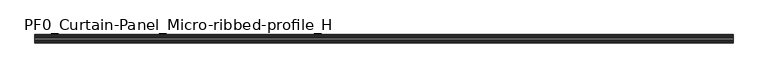
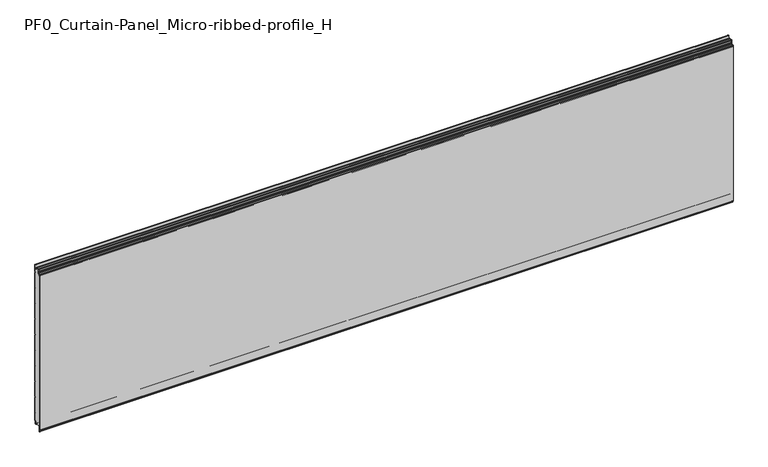
"""IFC4 building model written with IfcOpenShell, lengths in millimetres: plate geometry, PF0_Curtain-Panel_Micro-ribbed-profile_H."""

from ifc_helpers import new_model, si_unit, point, frame, frame_2d, origin, place, context, project, spatial, polyline, circle_curve, trimmed, segment, composite_curve, outline, extrude, source, transform, mapped, element, save
from ifc_brep_helpers import plane_surface, cylinder_surface, revolved_surface, advanced_brep


def pf0_curtain_panel_micro_ribbed_profile_h_2d92796e(model_context):
    return source(origin(), model_context, "Body", "SolidModel", [
        advanced_brep(
        [(-2100.0119739, -15.878557, 0.0), (-2100.0119739, -20.0, 0.0), (-2100.0119739, -20.0, 0.8), (-2100.0119739, -15.878557, 0.8), (-2100.0119739, -13.1503208, -1.370137), (-2100.0119739, -11.728236, -7.529863), (-2100.0119739, -6.2, -6.9), (-2100.0119739, -6.2, 8.6), (-2100.0119739, -3.4, 11.4), (-2100.0119739, -2.0, 11.4), (-2100.0119739, -0.8, 12.6), (-2100.0119739, -0.8, 57.6856412), (-2100.0119739, -2.482606, 60.6), (-2100.0119739, -0.8, 63.5143588), (-2100.0119739, -0.8, 157.6856412), (-2100.0119739, -2.482606, 160.6), (-2100.0119739, -0.8, 163.5143588), (-2100.0119739, -0.8, 257.6856412), (-2100.0119739, -2.482606, 260.6), (-2100.0119739, -0.8, 263.5143588), (-2100.0119739, -0.8, 357.6856412), (-2100.0119739, -2.482606, 360.6), (-2100.0119739, -0.8, 363.5143588), (-2100.0119739, -0.8, 457.6856412), (-2100.0119739, -2.482606, 460.6), (-2100.0119739, -0.8, 463.5143588), (-2100.0119739, -0.8, 557.6856412), (-2100.0119739, -2.482606, 560.6), (-2100.0119739, -0.8, 563.5143588), (-2100.0119739, -0.8, 657.6856412), (-2100.0119739, -2.482606, 660.6), (-2100.0119739, -0.8, 663.5143588), (-2100.0119739, -0.8, 757.6856412), (-2100.0119739, -2.482606, 760.6), (-2100.0119739, -0.8, 763.5143588), (-2100.0119739, -0.8, 857.6856412), (-2100.0119739, -2.482606, 860.6), (-2100.0119739, -0.8, 863.5143588), (-2100.0119739, -0.8, 957.6856412), (-2100.0119739, -2.482606, 960.6), (-2100.0119739, -0.8, 963.5143588), (-2100.0119739, -0.8, 1008.1), (-2100.0119739, -4.2, 1008.1), (-2100.0119739, -4.2, 991.1), (-2100.0119739, -13.7270771, 990.2664884), (-2100.0119739, -14.8636953, 996.7125669), (-2100.0119739, -16.6363492, 998.2), (-2100.0119739, -20.0, 998.2), (-2100.0119739, -20.0, 999.0), (-2100.0119739, -16.6363492, 999.0), (-2100.0119739, -14.0758491, 996.8514855), (-2100.0119739, -12.939231, 990.405407), (-2100.0119739, -5.0, 991.1), (-2100.0119739, -5.0, 1008.1), (-2100.0119739, -2.5, 1010.6), (-2100.0119739, 0.0, 1008.1), (-2100.0119739, 0.0, 963.2999995), (-2100.0119739, -1.5588455, 960.6), (-2100.0119739, 0.0, 957.9000005), (-2100.0119739, 0.0, 863.2999995), (-2100.0119739, -1.5588455, 860.6), (-2100.0119739, 0.0, 857.9000005), (-2100.0119739, 0.0, 763.2999995), (-2100.0119739, -1.5588455, 760.6), (-2100.0119739, 0.0, 757.9000005), (-2100.0119739, 0.0, 663.2999995), (-2100.0119739, -1.5588455, 660.6), (-2100.0119739, 0.0, 657.9000005), (-2100.0119739, 0.0, 563.2999995), (-2100.0119739, -1.5588455, 560.6), (-2100.0119739, 0.0, 557.9000005), (-2100.0119739, 0.0, 463.2999995), (-2100.0119739, -1.5588455, 460.6), (-2100.0119739, 0.0, 457.9000005), (-2100.0119739, 0.0, 363.2999995), (-2100.0119739, -1.5588455, 360.6), (-2100.0119739, 0.0, 357.9000005), (-2100.0119739, 0.0, 263.2999995), (-2100.0119739, -1.5588455, 260.6), (-2100.0119739, 0.0, 257.9000005), (-2100.0119739, 0.0, 163.2999995), (-2100.0119739, -1.5588455, 160.6), (-2100.0119739, 0.0, 157.9000005), (-2100.0119739, 0.0, 63.2999995), (-2100.0119739, -1.5588455, 60.6), (-2100.0119739, 0.0, 57.9000005), (-2100.0119739, 0.0, 12.6), (-2100.0119739, -2.0, 10.6), (-2100.0119739, -3.4, 10.6), (-2100.0119739, -5.4, 8.6), (-2100.0119739, -5.4, -6.9), (-2100.0119739, -12.5077322, -7.7098239), (-2100.0119739, -13.929817, -1.5500979), (2100.0119739, -15.878557, 0.0), (2100.0119739, -13.9298169, -1.5500978), (2100.0119739, -12.507732, -7.7098239), (2100.0119739, -5.4, -6.9), (2100.0119739, -5.4, 8.6), (2100.0119739, -3.4, 10.6), (2100.0119739, -2.0, 10.6), (2100.0119739, 0.0, 12.6), (2100.0119739, 0.0, 57.9000005), (2100.0119739, -1.5588455, 60.6), (2100.0119739, 0.0, 63.2999995), (2100.0119739, 0.0, 157.9000005), (2100.0119739, -1.5588455, 160.6), (2100.0119739, 0.0, 163.2999995), (2100.0119739, 0.0, 257.9000005), (2100.0119739, -1.5588455, 260.6), (2100.0119739, 0.0, 263.2999995), (2100.0119739, 0.0, 357.9000005), (2100.0119739, -1.5588455, 360.6), (2100.0119739, 0.0, 363.2999995), (2100.0119739, 0.0, 457.9000005), (2100.0119739, -1.5588455, 460.6), (2100.0119739, 0.0, 463.2999995), (2100.0119739, 0.0, 557.9000005), (2100.0119739, -1.5588455, 560.6), (2100.0119739, 0.0, 563.2999995), (2100.0119739, 0.0, 657.9000005), (2100.0119739, -1.5588455, 660.6), (2100.0119739, 0.0, 663.2999995), (2100.0119739, 0.0, 757.9000005), (2100.0119739, -1.5588455, 760.6), (2100.0119739, 0.0, 763.2999995), (2100.0119739, 0.0, 857.9000005), (2100.0119739, -1.5588455, 860.6), (2100.0119739, 0.0, 863.2999995), (2100.0119739, 0.0, 957.9000005), (2100.0119739, -1.5588455, 960.6), (2100.0119739, 0.0, 963.2999995), (2100.0119739, 0.0, 1008.1), (2100.0119739, -2.5, 1010.6), (2100.0119739, -5.0, 1008.1), (2100.0119739, -5.0, 991.1), (2100.0119739, -12.939231, 990.405407), (2100.0119739, -14.0758491, 996.8514855), (2100.0119739, -16.6363492, 999.0), (2100.0119739, -20.0, 999.0), (2100.0119739, -20.0, 998.2), (2100.0119739, -16.6363492, 998.2), (2100.0119739, -14.8636953, 996.7125669), (2100.0119739, -13.7270772, 990.2664884), (2100.0119739, -4.2, 991.1), (2100.0119739, -4.2, 1008.1), (2100.0119739, -0.8, 1008.1), (2100.0119739, -0.8, 963.5143588), (2100.0119739, -2.482606, 960.6), (2100.0119739, -0.8, 957.6856412), (2100.0119739, -0.8, 863.5143588), (2100.0119739, -2.482606, 860.6), (2100.0119739, -0.8, 857.6856412), (2100.0119739, -0.8, 763.5143588), (2100.0119739, -2.482606, 760.6), (2100.0119739, -0.8, 757.6856412), (2100.0119739, -0.8, 663.5143588), (2100.0119739, -2.482606, 660.6), (2100.0119739, -0.8, 657.6856412), (2100.0119739, -0.8, 563.5143588), (2100.0119739, -2.482606, 560.6), (2100.0119739, -0.8, 557.6856412), (2100.0119739, -0.8, 463.5143588), (2100.0119739, -2.482606, 460.6), (2100.0119739, -0.8, 457.6856412), (2100.0119739, -0.8, 363.5143588), (2100.0119739, -2.482606, 360.6), (2100.0119739, -0.8, 357.6856412), (2100.0119739, -0.8, 263.5143588), (2100.0119739, -2.482606, 260.6), (2100.0119739, -0.8, 257.6856412), (2100.0119739, -0.8, 163.5143588), (2100.0119739, -2.482606, 160.6), (2100.0119739, -0.8, 157.6856412), (2100.0119739, -0.8, 63.5143588), (2100.0119739, -2.482606, 60.6), (2100.0119739, -0.8, 57.6856412), (2100.0119739, -0.8, 12.6), (2100.0119739, -2.0, 11.4), (2100.0119739, -3.4, 11.4), (2100.0119739, -6.2, 8.6), (2100.0119739, -6.2, -6.9), (2100.0119739, -11.7282362, -7.529863), (2100.0119739, -13.150321, -1.370137), (2100.0119739, -15.878557, 0.8), (2100.0119739, -20.0, 0.8), (2100.0119739, -20.0, 0.0)],
        [
            (0, 1),
            (1, 2),
            (2, 3),
            (3, 4, circle_curve(frame((-2100.0119739, -15.878557, -2.0), z_axis=(-1.0, 0.0, 0.0), x_axis=(0.0, 0.0, 1.0)), 2.8)),
            (4, 5),
            (5, 6, circle_curve(frame((-2100.0119739, -9.0, -6.9), z_axis=(1.0, 0.0, 0.0), x_axis=(0.0, 0.0, 1.0)), 2.8)),
            (6, 7),
            (7, 8, circle_curve(frame((-2100.0119739, -3.4, 8.6), z_axis=(-1.0, 0.0, 0.0), x_axis=(0.0, 0.0, 1.0)), 2.8)),
            (8, 9),
            (9, 10, circle_curve(frame((-2100.0119739, -2.0, 12.6), z_axis=(1.0, 0.0, 0.0), x_axis=(0.0, 0.0, 1.0)), 1.2)),
            (10, 11),
            (11, 12),
            (12, 13),
            (13, 14),
            (14, 15),
            (15, 16),
            (16, 17),
            (17, 18),
            (18, 19),
            (19, 20),
            (20, 21),
            (21, 22),
            (22, 23),
            (23, 24),
            (24, 25),
            (25, 26),
            (26, 27),
            (27, 28),
            (28, 29),
            (29, 30),
            (30, 31),
            (31, 32),
            (32, 33),
            (33, 34),
            (34, 35),
            (35, 36),
            (36, 37),
            (37, 38),
            (38, 39),
            (39, 40),
            (40, 41),
            (41, 42, circle_curve(frame((-2100.0119739, -2.5, 1008.1), z_axis=(1.0, 0.0, 0.0), x_axis=(0.0, 0.0, 1.0)), 1.7)),
            (42, 43),
            (43, 44, circle_curve(frame((-2100.0119739, -9.0, 991.1), z_axis=(-1.0, 0.0, 0.0), x_axis=(0.0, 0.0, 1.0)), 4.8)),
            (44, 45),
            (45, 46, circle_curve(frame((-2100.0119739, -16.6363492, 996.4), z_axis=(1.0, 0.0, 0.0), x_axis=(0.0, 0.0, 1.0)), 1.8)),
            (46, 47),
            (47, 48),
            (48, 49),
            (49, 50, circle_curve(frame((-2100.0119739, -16.6363492, 996.4), z_axis=(-1.0, 0.0, 0.0), x_axis=(0.0, 0.0, 1.0)), 2.6)),
            (50, 51),
            (51, 52, circle_curve(frame((-2100.0119739, -9.0, 991.1), z_axis=(1.0, 0.0, 0.0), x_axis=(0.0, 0.0, 1.0)), 4.0)),
            (52, 53),
            (53, 54, circle_curve(frame((-2100.0119739, -2.5, 1008.1), z_axis=(-1.0, 0.0, 0.0), x_axis=(0.0, 0.0, 1.0)), 2.5)),
            (54, 55, circle_curve(frame((-2100.0119739, -2.5, 1008.1), z_axis=(-1.0, 0.0, 0.0), x_axis=(0.0, 0.0, 1.0)), 2.5)),
            (55, 56),
            (56, 57),
            (57, 58),
            (58, 59),
            (59, 60),
            (60, 61),
            (61, 62),
            (62, 63),
            (63, 64),
            (64, 65),
            (65, 66),
            (66, 67),
            (67, 68),
            (68, 69),
            (69, 70),
            (70, 71),
            (71, 72),
            (72, 73),
            (73, 74),
            (74, 75),
            (75, 76),
            (76, 77),
            (77, 78),
            (78, 79),
            (79, 80),
            (80, 81),
            (81, 82),
            (82, 83),
            (83, 84),
            (84, 85),
            (85, 86),
            (86, 87, circle_curve(frame((-2100.0119739, -2.0, 12.6), z_axis=(-1.0, 0.0, 0.0), x_axis=(0.0, 0.0, 1.0)), 2.0)),
            (87, 88),
            (88, 89, circle_curve(frame((-2100.0119739, -3.4, 8.6), z_axis=(1.0, 0.0, 0.0), x_axis=(0.0, 0.0, 1.0)), 2.0)),
            (89, 90),
            (90, 91, circle_curve(frame((-2100.0119739, -9.0, -6.9), z_axis=(-1.0, 0.0, 0.0), x_axis=(0.0, 0.0, 1.0)), 3.6)),
            (91, 92),
            (92, 0, circle_curve(frame((-2100.0119739, -15.878557, -2.0), z_axis=(1.0, 0.0, 0.0), x_axis=(0.0, 0.0, 1.0)), 2.0)),
            (93, 94, circle_curve(frame((2100.0119739, -15.878557, -2.0), z_axis=(-1.0, 0.0, 0.0), x_axis=(0.0, 0.0, 1.0)), 2.0)),
            (94, 95),
            (95, 96, circle_curve(frame((2100.0119739, -9.0, -6.9), z_axis=(1.0, 0.0, 0.0), x_axis=(0.0, 0.0, 1.0)), 3.6)),
            (96, 97),
            (97, 98, circle_curve(frame((2100.0119739, -3.4, 8.6), z_axis=(-1.0, 0.0, 0.0), x_axis=(0.0, 0.0, 1.0)), 2.0)),
            (98, 99),
            (99, 100, circle_curve(frame((2100.0119739, -2.0, 12.6), z_axis=(1.0, 0.0, 0.0), x_axis=(0.0, 0.0, 1.0)), 2.0)),
            (100, 101),
            (101, 102),
            (102, 103),
            (103, 104),
            (104, 105),
            (105, 106),
            (106, 107),
            (107, 108),
            (108, 109),
            (109, 110),
            (110, 111),
            (111, 112),
            (112, 113),
            (113, 114),
            (114, 115),
            (115, 116),
            (116, 117),
            (117, 118),
            (118, 119),
            (119, 120),
            (120, 121),
            (121, 122),
            (122, 123),
            (123, 124),
            (124, 125),
            (125, 126),
            (126, 127),
            (127, 128),
            (128, 129),
            (129, 130),
            (130, 131),
            (131, 132, circle_curve(frame((2100.0119739, -2.5, 1008.1), z_axis=(1.0, 0.0, 0.0), x_axis=(0.0, 0.0, 1.0)), 2.5)),
            (132, 133, circle_curve(frame((2100.0119739, -2.5, 1008.1), z_axis=(1.0, 0.0, 0.0), x_axis=(0.0, 0.0, 1.0)), 2.5)),
            (133, 134),
            (134, 135, circle_curve(frame((2100.0119739, -9.0, 991.1), z_axis=(-1.0, 0.0, 0.0), x_axis=(0.0, 0.0, 1.0)), 4.0)),
            (135, 136),
            (136, 137, circle_curve(frame((2100.0119739, -16.6363492, 996.4), z_axis=(1.0, 0.0, 0.0), x_axis=(0.0, 0.0, 1.0)), 2.6)),
            (137, 138),
            (138, 139),
            (139, 140),
            (140, 141, circle_curve(frame((2100.0119739, -16.6363492, 996.4), z_axis=(-1.0, 0.0, 0.0), x_axis=(0.0, 0.0, 1.0)), 1.8)),
            (141, 142),
            (142, 143, circle_curve(frame((2100.0119739, -9.0, 991.1), z_axis=(1.0, 0.0, 0.0), x_axis=(0.0, 0.0, 1.0)), 4.8)),
            (143, 144),
            (144, 145, circle_curve(frame((2100.0119739, -2.5, 1008.1), z_axis=(-1.0, 0.0, 0.0), x_axis=(0.0, 0.0, 1.0)), 1.7)),
            (145, 146),
            (146, 147),
            (147, 148),
            (148, 149),
            (149, 150),
            (150, 151),
            (151, 152),
            (152, 153),
            (153, 154),
            (154, 155),
            (155, 156),
            (156, 157),
            (157, 158),
            (158, 159),
            (159, 160),
            (160, 161),
            (161, 162),
            (162, 163),
            (163, 164),
            (164, 165),
            (165, 166),
            (166, 167),
            (167, 168),
            (168, 169),
            (169, 170),
            (170, 171),
            (171, 172),
            (172, 173),
            (173, 174),
            (174, 175),
            (175, 176),
            (176, 177, circle_curve(frame((2100.0119739, -2.0, 12.6), z_axis=(-1.0, 0.0, 0.0), x_axis=(0.0, 0.0, 1.0)), 1.2)),
            (177, 178),
            (178, 179, circle_curve(frame((2100.0119739, -3.4, 8.6), z_axis=(1.0, 0.0, 0.0), x_axis=(0.0, 0.0, 1.0)), 2.8)),
            (179, 180),
            (180, 181, circle_curve(frame((2100.0119739, -9.0, -6.9), z_axis=(-1.0, 0.0, 0.0), x_axis=(0.0, 0.0, 1.0)), 2.8)),
            (181, 182),
            (182, 183, circle_curve(frame((2100.0119739, -15.878557, -2.0), z_axis=(1.0, 0.0, 0.0), x_axis=(0.0, 0.0, 1.0)), 2.8)),
            (183, 184),
            (184, 185),
            (185, 93),
            (0, 93),
            (185, 1),
            (184, 2),
            (183, 3),
            (182, 4),
            (181, 5),
            (180, 6),
            (179, 7),
            (178, 8),
            (177, 9),
            (176, 10),
            (175, 11),
            (174, 12),
            (173, 13),
            (172, 14),
            (171, 15),
            (170, 16),
            (169, 17),
            (168, 18),
            (167, 19),
            (166, 20),
            (165, 21),
            (164, 22),
            (163, 23),
            (162, 24),
            (161, 25),
            (160, 26),
            (159, 27),
            (158, 28),
            (157, 29),
            (156, 30),
            (155, 31),
            (154, 32),
            (153, 33),
            (152, 34),
            (151, 35),
            (150, 36),
            (149, 37),
            (148, 38),
            (147, 39),
            (146, 40),
            (145, 41),
            (144, 42),
            (143, 43),
            (142, 44),
            (141, 45),
            (140, 46),
            (139, 47),
            (138, 48),
            (137, 49),
            (136, 50),
            (135, 51),
            (134, 52),
            (133, 53),
            (131, 55),
            (130, 56),
            (129, 57),
            (128, 58),
            (127, 59),
            (126, 60),
            (125, 61),
            (124, 62),
            (123, 63),
            (122, 64),
            (121, 65),
            (120, 66),
            (119, 67),
            (118, 68),
            (117, 69),
            (116, 70),
            (115, 71),
            (114, 72),
            (113, 73),
            (112, 74),
            (111, 75),
            (110, 76),
            (109, 77),
            (108, 78),
            (107, 79),
            (106, 80),
            (105, 81),
            (104, 82),
            (103, 83),
            (102, 84),
            (101, 85),
            (100, 86),
            (99, 87),
            (98, 88),
            (97, 89),
            (96, 90),
            (95, 91),
            (94, 92),
        ],
        [
            plane_surface(frame((-2100.0119739, 0.0, 0.0), z_axis=(-1.0, 0.0, 0.0), x_axis=(0.0, 1.0, 0.0))),
            plane_surface(frame((2100.0119739, 0.0, 0.0), z_axis=(1.0, 0.0, 0.0), x_axis=(0.0, 1.0, 0.0))),
            plane_surface(frame((-2100.0119739, -15.878557, 0.0), z_axis=(0.0, 0.0, -1.0), x_axis=(1.0, 0.0, 0.0))),
            plane_surface(frame((-2100.0119739, -20.0, 0.0), z_axis=(0.0, -1.0, 0.0), x_axis=(1.0, 0.0, 0.0))),
            plane_surface(frame((-2100.0119739, -20.0, 0.8), z_axis=(0.0, 0.0, 1.0), x_axis=(1.0, 0.0, 0.0))),
            cylinder_surface(frame((-2100.0119739, -15.878557, -2.0), z_axis=(-1.0, 0.0, 0.0), x_axis=(0.0, 0.0, 1.0)), 2.8),
            plane_surface(frame((-2100.0119739, -13.150321, -1.370137), z_axis=(0.0, 0.9743700578318181, 0.22495108446242168), x_axis=(1.0, 0.0, 0.0))),
            revolved_surface(polyline([(2100.0119739, -9.0, -4.1000000000000005), (-2100.0119739, -9.0, -4.1000000000000005)]), (-2100.0119739, -9.0, -6.9), (1.0, 0.0, 0.0)),
            plane_surface(frame((-2100.0119739, -6.2, -6.9), z_axis=(0.0, -1.0, 0.0), x_axis=(1.0, 0.0, 0.0))),
            cylinder_surface(frame((-2100.0119739, -3.4, 8.6), z_axis=(-1.0, 0.0, 0.0), x_axis=(0.0, 0.0, 1.0)), 2.8),
            plane_surface(frame((-2100.0119739, -3.4, 11.4), z_axis=(0.0, 0.0, 1.0), x_axis=(1.0, 0.0, 0.0))),
            revolved_surface(polyline([(2100.0119739, -2.0, 13.799999999999999), (-2100.0119739, -2.0, 13.799999999999999)]), (-2100.0119739, -2.0, 12.6), (1.0, 0.0, 0.0)),
            plane_surface(frame((-2100.0119739, -0.8, 12.6), z_axis=(0.0, -1.0, 0.0), x_axis=(1.0, 0.0, 0.0))),
            plane_surface(frame((-2100.0119739, -0.8, 57.6856412), z_axis=(0.0, -0.8660253865035757, -0.5000000299313314), x_axis=(1.0, 0.0, 0.0))),
            plane_surface(frame((-2100.0119739, -2.482606, 60.6), z_axis=(0.0, -0.8660253865035789, 0.5000000299313261), x_axis=(1.0, 0.0, 0.0))),
            plane_surface(frame((-2100.0119739, -0.8, 63.5143588), z_axis=(0.0, -1.0, 0.0), x_axis=(1.0, 0.0, 0.0))),
            plane_surface(frame((-2100.0119739, -0.8, 157.6856412), z_axis=(0.0, -0.8660253865035755, -0.5000000299313319), x_axis=(1.0, 0.0, 0.0))),
            plane_surface(frame((-2100.0119739, -2.482606, 160.6), z_axis=(0.0, -0.8660253865035777, 0.5000000299313279), x_axis=(1.0, 0.0, 0.0))),
            plane_surface(frame((-2100.0119739, -0.8, 163.5143588), z_axis=(0.0, -1.0, 0.0), x_axis=(1.0, 0.0, 0.0))),
            plane_surface(frame((-2100.0119739, -0.8, 257.6856412), z_axis=(0.0, -0.8660253865035755, -0.5000000299313319), x_axis=(1.0, 0.0, 0.0))),
            plane_surface(frame((-2100.0119739, -2.482606, 260.6), z_axis=(0.0, -0.8660253865035777, 0.5000000299313279), x_axis=(1.0, 0.0, 0.0))),
            plane_surface(frame((-2100.0119739, -0.8, 263.5143588), z_axis=(0.0, -1.0, 0.0), x_axis=(1.0, 0.0, 0.0))),
            plane_surface(frame((-2100.0119739, -0.8, 357.6856412), z_axis=(0.0, -0.8660253865035754, -0.500000029931332), x_axis=(1.0, 0.0, 0.0))),
            plane_surface(frame((-2100.0119739, -2.482606, 360.6), z_axis=(0.0, -0.8660253865035789, 0.5000000299313261), x_axis=(1.0, 0.0, 0.0))),
            plane_surface(frame((-2100.0119739, -0.8, 363.5143588), z_axis=(0.0, -1.0, 0.0), x_axis=(1.0, 0.0, 0.0))),
            plane_surface(frame((-2100.0119739, -0.8, 457.6856412), z_axis=(0.0, -0.8660253865035755, -0.5000000299313319), x_axis=(1.0, 0.0, 0.0))),
            plane_surface(frame((-2100.0119739, -2.482606, 460.6), z_axis=(0.0, -0.8660253865035785, 0.5000000299313266), x_axis=(1.0, 0.0, 0.0))),
            plane_surface(frame((-2100.0119739, -0.8, 463.5143588), z_axis=(0.0, -1.0, 0.0), x_axis=(1.0, 0.0, 0.0))),
            plane_surface(frame((-2100.0119739, -0.8, 557.6856412), z_axis=(0.0, -0.8660253865035755, -0.500000029931332), x_axis=(1.0, 0.0, 0.0))),
            plane_surface(frame((-2100.0119739, -2.482606, 560.6), z_axis=(0.0, -0.8660253865035789, 0.500000029931326), x_axis=(1.0, 0.0, 0.0))),
            plane_surface(frame((-2100.0119739, -0.8, 563.5143588), z_axis=(0.0, -1.0, 0.0), x_axis=(1.0, 0.0, 0.0))),
            plane_surface(frame((-2100.0119739, -0.8, 657.6856412), z_axis=(0.0, -0.8660253865035755, -0.5000000299313317), x_axis=(1.0, 0.0, 0.0))),
            plane_surface(frame((-2100.0119739, -2.482606, 660.6), z_axis=(0.0, -0.8660253865035772, 0.5000000299313291), x_axis=(1.0, 0.0, 0.0))),
            plane_surface(frame((-2100.0119739, -0.8, 663.5143588), z_axis=(0.0, -1.0, 0.0), x_axis=(1.0, 0.0, 0.0))),
            plane_surface(frame((-2100.0119739, -0.8, 757.6856412), z_axis=(0.0, -0.8660253865035755, -0.5000000299313319), x_axis=(1.0, 0.0, 0.0))),
            plane_surface(frame((-2100.0119739, -2.482606, 760.6), z_axis=(0.0, -0.8660253865035771, 0.5000000299313291), x_axis=(1.0, 0.0, 0.0))),
            plane_surface(frame((-2100.0119739, -0.8, 763.5143588), z_axis=(0.0, -1.0, 0.0), x_axis=(1.0, 0.0, 0.0))),
            plane_surface(frame((-2100.0119739, -0.8, 857.6856412), z_axis=(0.0, -0.8660253865035755, -0.5000000299313319), x_axis=(1.0, 0.0, 0.0))),
            plane_surface(frame((-2100.0119739, -2.482606, 860.6), z_axis=(0.0, -0.8660253865035775, 0.5000000299313283), x_axis=(1.0, 0.0, 0.0))),
            plane_surface(frame((-2100.0119739, -0.8, 863.5143588), z_axis=(0.0, -1.0, 0.0), x_axis=(1.0, 0.0, 0.0))),
            plane_surface(frame((-2100.0119739, -0.8, 957.6856412), z_axis=(0.0, -0.8660253865035755, -0.500000029931332), x_axis=(1.0, 0.0, 0.0))),
            plane_surface(frame((-2100.0119739, -2.482606, 960.6), z_axis=(0.0, -0.8660253865035771, 0.5000000299313291), x_axis=(1.0, 0.0, 0.0))),
            plane_surface(frame((-2100.0119739, -0.8, 963.5143588), z_axis=(0.0, -1.0, 0.0), x_axis=(1.0, 0.0, 0.0))),
            revolved_surface(polyline([(2100.0119739, -2.5, 1009.8000000000001), (-2100.0119739, -2.5, 1009.8000000000001)]), (-2100.0119739, -2.5, 1008.1), (1.0, 0.0, 0.0)),
            plane_surface(frame((-2100.0119739, -4.2, 1008.1), z_axis=(0.0, 1.0, 0.0), x_axis=(1.0, 0.0, 0.0))),
            cylinder_surface(frame((-2100.0119739, -9.0, 991.1), z_axis=(-1.0, 0.0, 0.0), x_axis=(0.0, 0.0, 1.0)), 4.8),
            plane_surface(frame((-2100.0119739, -13.7270772, 990.2664884), z_axis=(0.0, -0.9848077391954005, -0.17364825602592165), x_axis=(1.0, 0.0, 0.0))),
            revolved_surface(polyline([(2100.0119739, -16.6363492, 998.1999999999999), (-2100.0119739, -16.6363492, 998.1999999999999)]), (-2100.0119739, -16.6363492, 996.4), (1.0, 0.0, 0.0)),
            plane_surface(frame((-2100.0119739, -16.6363492, 998.2), z_axis=(0.0, 0.0, -1.0), x_axis=(1.0, 0.0, 0.0))),
            plane_surface(frame((-2100.0119739, -20.0, 998.2), z_axis=(0.0, -1.0, 0.0), x_axis=(1.0, 0.0, 0.0))),
            plane_surface(frame((-2100.0119739, -20.0, 999.0), z_axis=(0.0, 0.0, 1.0), x_axis=(1.0, 0.0, 0.0))),
            cylinder_surface(frame((-2100.0119739, -16.6363492, 996.4), z_axis=(-1.0, 0.0, 0.0), x_axis=(0.0, 0.0, 1.0)), 2.6),
            plane_surface(frame((-2100.0119739, -14.0758491, 996.8514855), z_axis=(0.0, 0.9848077391954003, 0.1736482560259224), x_axis=(1.0, 0.0, 0.0))),
            revolved_surface(polyline([(2100.0119739, -9.0, 995.1), (-2100.0119739, -9.0, 995.1)]), (-2100.0119739, -9.0, 991.1), (1.0, 0.0, 0.0)),
            plane_surface(frame((-2100.0119739, -5.0, 991.1), z_axis=(0.0, -1.0, 0.0), x_axis=(1.0, 0.0, 0.0))),
            cylinder_surface(frame((-2100.0119739, -2.5, 1008.1), z_axis=(-1.0, 0.0, 0.0), x_axis=(0.0, 0.0, 1.0)), 2.5),
            plane_surface(frame((-2100.0119739, 0.0, 1008.1), z_axis=(0.0, 1.0, 0.0), x_axis=(1.0, 0.0, 0.0))),
            plane_surface(frame((-2100.0119739, 0.0, 963.2999995), z_axis=(0.0, 0.8660253865035786, -0.5000000299313263), x_axis=(1.0, 0.0, 0.0))),
            plane_surface(frame((-2100.0119739, -1.5588455, 960.6), z_axis=(0.0, 0.8660253865035755, 0.5000000299313319), x_axis=(1.0, 0.0, 0.0))),
            plane_surface(frame((-2100.0119739, 0.0, 957.9000005), z_axis=(0.0, 1.0, 0.0), x_axis=(1.0, 0.0, 0.0))),
            plane_surface(frame((-2100.0119739, 0.0, 863.2999995), z_axis=(0.0, 0.8660253865035786, -0.5000000299313263), x_axis=(1.0, 0.0, 0.0))),
            plane_surface(frame((-2100.0119739, -1.5588455, 860.6), z_axis=(0.0, 0.8660253865035755, 0.5000000299313319), x_axis=(1.0, 0.0, 0.0))),
            plane_surface(frame((-2100.0119739, 0.0, 857.9000005), z_axis=(0.0, 1.0, 0.0), x_axis=(1.0, 0.0, 0.0))),
            plane_surface(frame((-2100.0119739, 0.0, 763.2999995), z_axis=(0.0, 0.8660253865035786, -0.5000000299313263), x_axis=(1.0, 0.0, 0.0))),
            plane_surface(frame((-2100.0119739, -1.5588455, 760.6), z_axis=(0.0, 0.8660253865035755, 0.5000000299313319), x_axis=(1.0, 0.0, 0.0))),
            plane_surface(frame((-2100.0119739, 0.0, 757.9000005), z_axis=(0.0, 1.0, 0.0), x_axis=(1.0, 0.0, 0.0))),
            plane_surface(frame((-2100.0119739, 0.0, 663.2999995), z_axis=(0.0, 0.8660253865035786, -0.5000000299313263), x_axis=(1.0, 0.0, 0.0))),
            plane_surface(frame((-2100.0119739, -1.5588455, 660.6), z_axis=(0.0, 0.8660253865035755, 0.5000000299313319), x_axis=(1.0, 0.0, 0.0))),
            plane_surface(frame((-2100.0119739, 0.0, 657.9000005), z_axis=(0.0, 1.0, 0.0), x_axis=(1.0, 0.0, 0.0))),
            plane_surface(frame((-2100.0119739, 0.0, 563.2999995), z_axis=(0.0, 0.8660253865035786, -0.5000000299313263), x_axis=(1.0, 0.0, 0.0))),
            plane_surface(frame((-2100.0119739, -1.5588455, 560.6), z_axis=(0.0, 0.8660253865035755, 0.5000000299313319), x_axis=(1.0, 0.0, 0.0))),
            plane_surface(frame((-2100.0119739, 0.0, 557.9000005), z_axis=(0.0, 1.0, 0.0), x_axis=(1.0, 0.0, 0.0))),
            plane_surface(frame((-2100.0119739, 0.0, 463.2999995), z_axis=(0.0, 0.8660253865035786, -0.5000000299313263), x_axis=(1.0, 0.0, 0.0))),
            plane_surface(frame((-2100.0119739, -1.5588455, 460.6), z_axis=(0.0, 0.8660253865035755, 0.5000000299313319), x_axis=(1.0, 0.0, 0.0))),
            plane_surface(frame((-2100.0119739, 0.0, 457.9000005), z_axis=(0.0, 1.0, 0.0), x_axis=(1.0, 0.0, 0.0))),
            plane_surface(frame((-2100.0119739, 0.0, 363.2999995), z_axis=(0.0, 0.8660253865035786, -0.5000000299313263), x_axis=(1.0, 0.0, 0.0))),
            plane_surface(frame((-2100.0119739, -1.5588455, 360.6), z_axis=(0.0, 0.8660253865035755, 0.5000000299313319), x_axis=(1.0, 0.0, 0.0))),
            plane_surface(frame((-2100.0119739, 0.0, 357.9000005), z_axis=(0.0, 1.0, 0.0), x_axis=(1.0, 0.0, 0.0))),
            plane_surface(frame((-2100.0119739, 0.0, 263.2999995), z_axis=(0.0, 0.8660253865035786, -0.5000000299313263), x_axis=(1.0, 0.0, 0.0))),
            plane_surface(frame((-2100.0119739, -1.5588455, 260.6), z_axis=(0.0, 0.8660253865035755, 0.5000000299313319), x_axis=(1.0, 0.0, 0.0))),
            plane_surface(frame((-2100.0119739, 0.0, 257.9000005), z_axis=(0.0, 1.0, 0.0), x_axis=(1.0, 0.0, 0.0))),
            plane_surface(frame((-2100.0119739, 0.0, 163.2999995), z_axis=(0.0, 0.8660253865035786, -0.5000000299313263), x_axis=(1.0, 0.0, 0.0))),
            plane_surface(frame((-2100.0119739, -1.5588455, 160.6), z_axis=(0.0, 0.8660253865035755, 0.5000000299313319), x_axis=(1.0, 0.0, 0.0))),
            plane_surface(frame((-2100.0119739, 0.0, 157.9000005), z_axis=(0.0, 1.0, 0.0), x_axis=(1.0, 0.0, 0.0))),
            plane_surface(frame((-2100.0119739, 0.0, 63.2999995), z_axis=(0.0, 0.8660253865035786, -0.5000000299313263), x_axis=(1.0, 0.0, 0.0))),
            plane_surface(frame((-2100.0119739, -1.5588455, 60.6), z_axis=(0.0, 0.8660253865035755, 0.5000000299313319), x_axis=(1.0, 0.0, 0.0))),
            plane_surface(frame((-2100.0119739, 0.0, 57.9000005), z_axis=(0.0, 1.0, 0.0), x_axis=(1.0, 0.0, 0.0))),
            cylinder_surface(frame((-2100.0119739, -2.0, 12.6), z_axis=(-1.0, 0.0, 0.0), x_axis=(0.0, 0.0, 1.0)), 2.0),
            plane_surface(frame((-2100.0119739, -2.0, 10.6), z_axis=(0.0, 0.0, -1.0), x_axis=(1.0, 0.0, 0.0))),
            revolved_surface(polyline([(2100.0119739, -3.4, 10.6), (-2100.0119739, -3.4, 10.6)]), (-2100.0119739, -3.4, 8.6), (1.0, 0.0, 0.0)),
            plane_surface(frame((-2100.0119739, -5.4, 8.6), z_axis=(0.0, 1.0, 0.0), x_axis=(1.0, 0.0, 0.0))),
            cylinder_surface(frame((-2100.0119739, -9.0, -6.9), z_axis=(-1.0, 0.0, 0.0), x_axis=(0.0, 0.0, 1.0)), 3.6),
            plane_surface(frame((-2100.0119739, -12.507732, -7.7098239), z_axis=(0.0, -0.9743700578318182, -0.22495108446242174), x_axis=(1.0, 0.0, 0.0))),
            revolved_surface(polyline([(2100.0119739, -15.878557, 0.0), (-2100.0119739, -15.878557, 0.0)]), (-2100.0119739, -15.878557, -2.0), (1.0, 0.0, 0.0)),
        ],
        [
            (0, [[1, 2, 3, 4, 5, 6, 7, 8, 9, 10, 11, 12, 13, 14, 15, 16, 17, 18, 19, 20, 21, 22, 23, 24, 25, 26, 27, 28, 29, 30, 31, 32, 33, 34, 35, 36, 37, 38, 39, 40, 41, 42, 43, 44, 45, 46, 47, 48, 49, 50, 51, 52, 53, 54, 55, 56, 57, 58, 59, 60, 61, 62, 63, 64, 65, 66, 67, 68, 69, 70, 71, 72, 73, 74, 75, 76, 77, 78, 79, 80, 81, 82, 83, 84, 85, 86, 87, 88, 89, 90, 91, 92, 93]]),
            (1, [[94, 95, 96, 97, 98, 99, 100, 101, 102, 103, 104, 105, 106, 107, 108, 109, 110, 111, 112, 113, 114, 115, 116, 117, 118, 119, 120, 121, 122, 123, 124, 125, 126, 127, 128, 129, 130, 131, 132, 133, 134, 135, 136, 137, 138, 139, 140, 141, 142, 143, 144, 145, 146, 147, 148, 149, 150, 151, 152, 153, 154, 155, 156, 157, 158, 159, 160, 161, 162, 163, 164, 165, 166, 167, 168, 169, 170, 171, 172, 173, 174, 175, 176, 177, 178, 179, 180, 181, 182, 183, 184, 185, 186]]),
            (2, [[-1, 187, -186, 188]]),
            (3, [[-2, -188, -185, 189]]),
            (4, [[-3, -189, -184, 190]]),
            (5, [[-4, -190, -183, 191]]),
            (6, [[-5, -191, -182, 192]]),
            (7, [[-6, -192, -181, 193]]),
            (8, [[-7, -193, -180, 194]]),
            (9, [[-8, -194, -179, 195]]),
            (10, [[-9, -195, -178, 196]]),
            (11, [[-10, -196, -177, 197]]),
            (12, [[-11, -197, -176, 198]]),
            (13, [[-12, -198, -175, 199]]),
            (14, [[-13, -199, -174, 200]]),
            (15, [[-14, -200, -173, 201]]),
            (16, [[-15, -201, -172, 202]]),
            (17, [[-16, -202, -171, 203]]),
            (18, [[-17, -203, -170, 204]]),
            (19, [[-18, -204, -169, 205]]),
            (20, [[-19, -205, -168, 206]]),
            (21, [[-20, -206, -167, 207]]),
            (22, [[-21, -207, -166, 208]]),
            (23, [[-22, -208, -165, 209]]),
            (24, [[-23, -209, -164, 210]]),
            (25, [[-24, -210, -163, 211]]),
            (26, [[-25, -211, -162, 212]]),
            (27, [[-26, -212, -161, 213]]),
            (28, [[-27, -213, -160, 214]]),
            (29, [[-28, -214, -159, 215]]),
            (30, [[-29, -215, -158, 216]]),
            (31, [[-30, -216, -157, 217]]),
            (32, [[-31, -217, -156, 218]]),
            (33, [[-32, -218, -155, 219]]),
            (34, [[-33, -219, -154, 220]]),
            (35, [[-34, -220, -153, 221]]),
            (36, [[-35, -221, -152, 222]]),
            (37, [[-36, -222, -151, 223]]),
            (38, [[-37, -223, -150, 224]]),
            (39, [[-38, -224, -149, 225]]),
            (40, [[-39, -225, -148, 226]]),
            (41, [[-40, -226, -147, 227]]),
            (42, [[-41, -227, -146, 228]]),
            (43, [[-42, -228, -145, 229]]),
            (44, [[-43, -229, -144, 230]]),
            (45, [[-44, -230, -143, 231]]),
            (46, [[-45, -231, -142, 232]]),
            (47, [[-46, -232, -141, 233]]),
            (48, [[-47, -233, -140, 234]]),
            (49, [[-48, -234, -139, 235]]),
            (50, [[-49, -235, -138, 236]]),
            (51, [[-50, -236, -137, 237]]),
            (52, [[-51, -237, -136, 238]]),
            (53, [[-52, -238, -135, 239]]),
            (54, [[-53, -239, -134, 240]]),
            (55, [[-240, -133, -132, 241, -55, -54]]),
            (56, [[-56, -241, -131, 242]]),
            (57, [[-57, -242, -130, 243]]),
            (58, [[-58, -243, -129, 244]]),
            (59, [[-59, -244, -128, 245]]),
            (60, [[-60, -245, -127, 246]]),
            (61, [[-61, -246, -126, 247]]),
            (62, [[-62, -247, -125, 248]]),
            (63, [[-63, -248, -124, 249]]),
            (64, [[-64, -249, -123, 250]]),
            (65, [[-65, -250, -122, 251]]),
            (66, [[-66, -251, -121, 252]]),
            (67, [[-67, -252, -120, 253]]),
            (68, [[-68, -253, -119, 254]]),
            (69, [[-69, -254, -118, 255]]),
            (70, [[-70, -255, -117, 256]]),
            (71, [[-71, -256, -116, 257]]),
            (72, [[-72, -257, -115, 258]]),
            (73, [[-73, -258, -114, 259]]),
            (74, [[-74, -259, -113, 260]]),
            (75, [[-75, -260, -112, 261]]),
            (76, [[-76, -261, -111, 262]]),
            (77, [[-77, -262, -110, 263]]),
            (78, [[-78, -263, -109, 264]]),
            (79, [[-79, -264, -108, 265]]),
            (80, [[-80, -265, -107, 266]]),
            (81, [[-81, -266, -106, 267]]),
            (82, [[-82, -267, -105, 268]]),
            (83, [[-83, -268, -104, 269]]),
            (84, [[-84, -269, -103, 270]]),
            (85, [[-85, -270, -102, 271]]),
            (86, [[-86, -271, -101, 272]]),
            (87, [[-87, -272, -100, 273]]),
            (88, [[-88, -273, -99, 274]]),
            (89, [[-89, -274, -98, 275]]),
            (90, [[-90, -275, -97, 276]]),
            (91, [[-91, -276, -96, 277]]),
            (92, [[-92, -277, -95, 278]]),
            (93, [[-93, -278, -94, -187]]),
        ],
    ),
        extrude(outline(composite_curve([segment(polyline([(-40.0, 0.0), (-43.5, 0.0)]), True, "CONTINUOUS"), segment(trimmed(circle_curve(frame_2d((-43.5, -2.0)), 2.0), [point((-43.5, 0.0))], [point((-45.5, -2.0))], True, "CARTESIAN"), True, "CONTINUOUS"), segment(polyline([(-45.5, -2.0), (-45.5, -33.0)]), True, "CONTINUOUS"), segment(trimmed(circle_curve(frame_2d((-46.5, -33.0)), 1.0), [point((-45.5, -33.0))], [point((-47.5, -33.0))], False, "CARTESIAN"), True, "CONTINUOUS"), segment(polyline([(-47.5, -33.0), (-47.5, -26.9)]), True, "CONTINUOUS"), segment(trimmed(circle_curve(frame_2d((-48.4, -26.9)), 0.9), [point((-47.5, -26.9))], [point((-48.4, -26.0))], True, "CARTESIAN"), True, "CONTINUOUS"), segment(trimmed(circle_curve(frame_2d((-48.4, -24.4)), 1.6), [point((-48.4, -26.0))], [point((-50.0, -24.4))], False, "CARTESIAN"), True, "CONTINUOUS"), segment(polyline([(-50.0, -24.4), (-50.0, 973.0)]), True, "CONTINUOUS"), segment(trimmed(circle_curve(frame_2d((-49.0, 973.0)), 1.0), [point((-50.0, 973.0))], [point((-48.0, 973.0))], False, "CARTESIAN"), True, "CONTINUOUS"), segment(polyline([(-48.0, 973.0), (-48.0, 967.0)]), True, "CONTINUOUS"), segment(trimmed(circle_curve(frame_2d((-46.5, 967.0)), 1.5), [point((-48.0, 967.0))], [point((-45.0, 967.0))], True, "CARTESIAN"), True, "CONTINUOUS"), segment(polyline([(-45.0, 967.0), (-45.0, 967.8276204)]), True, "CONTINUOUS"), segment(trimmed(circle_curve(frame_2d((-38.8276204, 967.8276204)), 6.1723796), [point((-45.0, 967.8276204))], [point((-38.8276204, 974.0))], False, "CARTESIAN"), True, "CONTINUOUS"), segment(polyline([(-38.8276204, 974.0), (-38.0, 974.0)]), True, "CONTINUOUS"), segment(trimmed(circle_curve(frame_2d((-38.0, 975.0)), 1.0), [point((-38.0, 974.0))], [point((-37.0, 975.0))], True, "CARTESIAN"), True, "CONTINUOUS"), segment(polyline([(-37.0, 975.0), (-37.0, 981.5000012), (-35.4999999, 983.0), (-37.0, 984.4999988), (-37.0, 996.4)]), True, "CONTINUOUS"), segment(trimmed(circle_curve(frame_2d((-34.4, 996.4)), 2.6), [point((-37.0, 996.4))], [point((-34.4, 999.0))], False, "CARTESIAN"), True, "CONTINUOUS"), segment(polyline([(-34.4, 999.0), (-33.0, 999.0), (-33.0, 998.2), (-34.4, 998.2)]), True, "CONTINUOUS"), segment(trimmed(circle_curve(frame_2d((-34.4, 996.4)), 1.8), [point((-34.4, 998.2))], [point((-36.2, 996.4))], True, "CARTESIAN"), True, "CONTINUOUS"), segment(polyline([(-36.2, 996.4), (-36.2, 984.8313698), (-34.3686285, 983.0), (-36.2, 981.1686302), (-36.2, 975.0)]), True, "CONTINUOUS"), segment(trimmed(circle_curve(frame_2d((-38.0, 975.0)), 1.8), [point((-36.2, 975.0))], [point((-38.0, 973.2))], False, "CARTESIAN"), True, "CONTINUOUS"), segment(polyline([(-38.0, 973.2), (-38.8276204, 973.2)]), True, "CONTINUOUS"), segment(trimmed(circle_curve(frame_2d((-38.8276204, 967.8276204)), 5.3723796), [point((-38.8276204, 973.2))], [point((-44.2, 967.8276204))], True, "CARTESIAN"), True, "CONTINUOUS"), segment(polyline([(-44.2, 967.8276204), (-44.2, 967.0)]), True, "CONTINUOUS"), segment(trimmed(circle_curve(frame_2d((-46.4, 967.0)), 2.2), [point((-44.2, 967.0))], [point((-48.6, 967.0))], False, "CARTESIAN"), True, "CONTINUOUS"), segment(polyline([(-48.6, 967.0), (-48.6, 972.8891513)]), True, "CONTINUOUS"), segment(trimmed(circle_curve(frame_2d((-48.9, 972.8891513)), 0.3), [point((-48.6, 972.8891513))], [point((-49.2, 972.8891513))], True, "CARTESIAN"), True, "CONTINUOUS"), segment(polyline([(-49.2, 972.8891513), (-49.2, -24.4)]), True, "CONTINUOUS"), segment(trimmed(circle_curve(frame_2d((-48.4, -24.4)), 0.8), [point((-49.2, -24.4))], [point((-48.4, -25.2))], True, "CARTESIAN"), True, "CONTINUOUS"), segment(trimmed(circle_curve(frame_2d((-48.6133333, -26.9)), 1.7133333), [point((-48.4, -25.2))], [point((-46.9, -26.9))], False, "CARTESIAN"), True, "CONTINUOUS"), segment(polyline([(-46.9, -26.9), (-46.9, -32.8700312)]), True, "CONTINUOUS"), segment(trimmed(circle_curve(frame_2d((-46.6, -32.8700312)), 0.3), [point((-46.9, -32.8700312))], [point((-46.3, -32.8700312))], True, "CARTESIAN"), True, "CONTINUOUS"), segment(polyline([(-46.3, -32.8700312), (-46.3, -2.0)]), True, "CONTINUOUS"), segment(trimmed(circle_curve(frame_2d((-43.5, -2.0)), 2.8), [point((-46.3, -2.0))], [point((-43.5, 0.8))], False, "CARTESIAN"), True, "CONTINUOUS"), segment(polyline([(-43.5, 0.8), (-40.0, 0.8), (-40.0, 0.0)]), True, "CONTINUOUS")], self_intersect=False)), frame((-2100.0119739, 0.0, 0.0), z_axis=(1.0, 0.0, 0.0), x_axis=(0.0, 1.0, 0.0)), (0.0, 0.0, 1.0), 4200.0239479),
        extrude(outline(composite_curve([segment(polyline([(-40.0, 0.8), (-43.5, 0.8)]), True, "CONTINUOUS"), segment(trimmed(circle_curve(frame_2d((-43.5, -2.0)), 2.8), [point((-43.5, 0.8))], [point((-46.3, -2.0))], True, "CARTESIAN"), True, "CONTINUOUS"), segment(polyline([(-46.3, -2.0), (-46.3, -32.8700312)]), True, "CONTINUOUS"), segment(trimmed(circle_curve(frame_2d((-46.6, -32.8700312)), 0.3), [point((-46.3, -32.8700312))], [point((-46.9, -32.8700312))], False, "CARTESIAN"), True, "CONTINUOUS"), segment(polyline([(-46.9, -32.8700312), (-46.9, -26.9)]), True, "CONTINUOUS"), segment(trimmed(circle_curve(frame_2d((-48.6133333, -26.9)), 1.7133333), [point((-46.9, -26.9))], [point((-48.4, -25.2))], True, "CARTESIAN"), True, "CONTINUOUS"), segment(trimmed(circle_curve(frame_2d((-48.4, -24.4)), 0.8), [point((-48.4, -25.2))], [point((-49.2, -24.4))], False, "CARTESIAN"), True, "CONTINUOUS"), segment(polyline([(-49.2, -24.4), (-49.2, 972.8891513)]), True, "CONTINUOUS"), segment(trimmed(circle_curve(frame_2d((-48.9, 972.8891513)), 0.3), [point((-49.2, 972.8891513))], [point((-48.6, 972.8891513))], False, "CARTESIAN"), True, "CONTINUOUS"), segment(polyline([(-48.6, 972.8891513), (-48.6, 967.0)]), True, "CONTINUOUS"), segment(trimmed(circle_curve(frame_2d((-46.4, 967.0)), 2.2), [point((-48.6, 967.0))], [point((-44.2, 967.0))], True, "CARTESIAN"), True, "CONTINUOUS"), segment(polyline([(-44.2, 967.0), (-44.2, 967.8276204)]), True, "CONTINUOUS"), segment(trimmed(circle_curve(frame_2d((-38.8276204, 967.8276204)), 5.3723796), [point((-44.2, 967.8276204))], [point((-38.8276204, 973.2))], False, "CARTESIAN"), True, "CONTINUOUS"), segment(polyline([(-38.8276204, 973.2), (-38.0, 973.2)]), True, "CONTINUOUS"), segment(trimmed(circle_curve(frame_2d((-38.0, 975.0)), 1.8), [point((-38.0, 973.2))], [point((-36.2, 975.0))], True, "CARTESIAN"), True, "CONTINUOUS"), segment(polyline([(-36.2, 975.0), (-36.2, 981.1686302), (-34.3686285, 983.0), (-36.2, 984.8313698), (-36.2, 996.4)]), True, "CONTINUOUS"), segment(trimmed(circle_curve(frame_2d((-34.4, 996.4)), 1.8), [point((-36.2, 996.4))], [point((-34.4, 998.2))], False, "CARTESIAN"), True, "CONTINUOUS"), segment(polyline([(-34.4, 998.2), (-33.0, 998.2), (-33.0, 999.0), (-20.0, 999.0), (-20.0, 998.2), (-16.6363492, 998.2)]), True, "CONTINUOUS"), segment(trimmed(circle_curve(frame_2d((-16.6363492, 996.4)), 1.8), [point((-16.6363492, 998.2))], [point((-14.8636953, 996.7125669))], False, "CARTESIAN"), True, "CONTINUOUS"), segment(polyline([(-14.8636953, 996.7125669), (-13.7270772, 990.2664884)]), True, "CONTINUOUS"), segment(trimmed(circle_curve(frame_2d((-9.0, 991.1)), 4.8), [point((-13.7270772, 990.2664884))], [point((-4.2, 991.1))], True, "CARTESIAN"), True, "CONTINUOUS"), segment(polyline([(-4.2, 991.1), (-4.2, 1008.1)]), True, "CONTINUOUS"), segment(trimmed(circle_curve(frame_2d((-2.5, 1008.1)), 1.7), [point((-4.2, 1008.1))], [point((-0.8, 1008.1))], False, "CARTESIAN"), True, "CONTINUOUS"), segment(polyline([(-0.8, 1008.1), (-0.8, 963.5143588), (-2.482606, 960.6), (-0.8, 957.6856412), (-0.8, 863.5143588), (-2.482606, 860.6), (-0.8, 857.6856412), (-0.8, 763.5143588), (-2.482606, 760.6), (-0.8, 757.6856412), (-0.8, 663.5143588), (-2.482606, 660.6), (-0.8, 657.6856412), (-0.8, 563.5143588), (-2.482606, 560.6), (-0.8, 557.6856412), (-0.8, 463.5143588), (-2.482606, 460.6), (-0.8, 457.6856412), (-0.8, 363.5143588), (-2.482606, 360.6), (-0.8, 357.6856412), (-0.8, 263.5143588), (-2.482606, 260.6), (-0.8, 257.6856412), (-0.8, 163.5143588), (-2.482606, 160.6), (-0.8, 157.6856412), (-0.8, 63.5143588), (-2.482606, 60.6), (-0.8, 57.6856412), (-0.8, 12.6)]), True, "CONTINUOUS"), segment(trimmed(circle_curve(frame_2d((-2.0, 12.6)), 1.2), [point((-0.8, 12.6))], [point((-2.0, 11.4))], False, "CARTESIAN"), True, "CONTINUOUS"), segment(polyline([(-2.0, 11.4), (-3.4, 11.4)]), True, "CONTINUOUS"), segment(trimmed(circle_curve(frame_2d((-3.4, 8.6)), 2.8), [point((-3.4, 11.4))], [point((-6.2, 8.6))], True, "CARTESIAN"), True, "CONTINUOUS"), segment(polyline([(-6.2, 8.6), (-6.2, -6.9)]), True, "CONTINUOUS"), segment(trimmed(circle_curve(frame_2d((-9.0, -6.9)), 2.8), [point((-6.2, -6.9))], [point((-11.7282362, -7.529863))], False, "CARTESIAN"), True, "CONTINUOUS"), segment(polyline([(-11.7282362, -7.529863), (-13.1503208, -1.370137)]), True, "CONTINUOUS"), segment(trimmed(circle_curve(frame_2d((-15.878557, -2.0)), 2.8), [point((-13.1503208, -1.370137))], [point((-15.878557, 0.8))], True, "CARTESIAN"), True, "CONTINUOUS"), segment(polyline([(-15.878557, 0.8), (-20.0, 0.8), (-20.0, 0.0), (-40.0, 0.0), (-40.0, 0.8)]), True, "CONTINUOUS")], self_intersect=False)), frame((-2100.0119739, 0.0, 0.0), z_axis=(1.0, 0.0, 0.0), x_axis=(0.0, 1.0, 0.0)), (0.0, 0.0, 1.0), 4200.0239479),
    ])


if __name__ == "__main__":
    model = new_model("IFC4")
    model_context = context("Model", 3, world=origin())
    ifc_project = project(units=[si_unit("LENGTHUNIT", "METRE", prefix="MILLI")], contexts=[model_context])
    site = spatial("IfcSite", under=ifc_project)
    building = spatial("IfcBuilding", under=site)
    placement = place(None, origin())
    pf0_curtain_panel_micro_ribbed_profile_h_shape = pf0_curtain_panel_micro_ribbed_profile_h_2d92796e(model_context)
    element("IfcPlate", 1, ObjectType="PF0_Curtain-Panel_Micro-ribbed-profile_H", at=placement, inside=building, context=model_context, shape_type="MappedRepresentation", body=[
        mapped(pf0_curtain_panel_micro_ribbed_profile_h_shape, transform((0.0, 0.0, 0.0), x_axis=(1.0, 0.0, 0.0), y_axis=(0.0, 1.0, 0.0), z_axis=(0.0, 0.0, 1.0))),
    ])
    save(model, "model.ifc")
